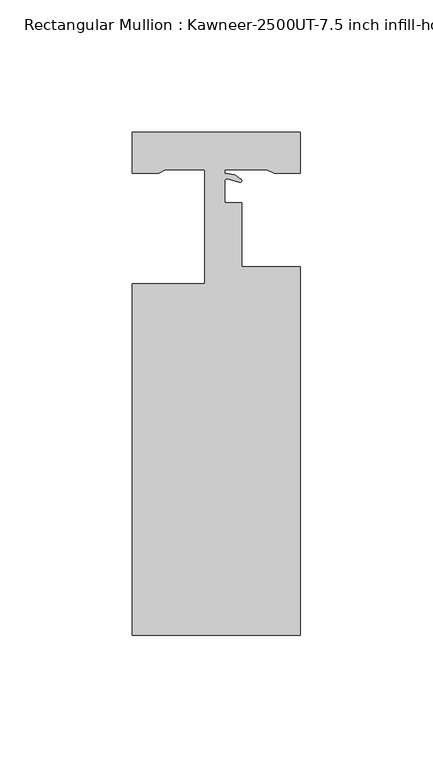
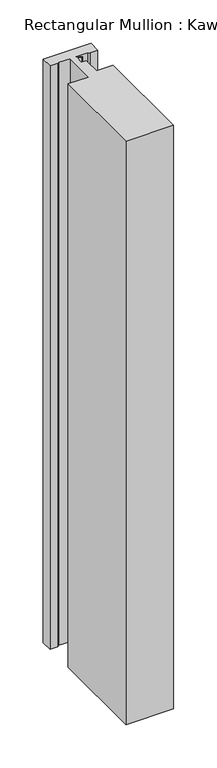
"""IFC4 building model written with IfcOpenShell, lengths in millimetres: member geometry, Rectangular Mullion : Kawneer-2500UT-7.5 inch infill-horizontal 1 inch infill."""

from ifc_helpers import new_model, si_unit, point, frame, frame_2d, origin, place, context, project, spatial, polyline, circle_curve, trimmed, segment, composite_curve, outline, extrude, source, transform, mapped, element, save


def rectangular_mullion_kawneer_2500ut_7_5_inch_infill_58baae4a(model_context):
    return source(origin(), model_context, "Body", "SweptSolid", [
        extrude(outline(composite_curve([segment(polyline([(31.75, -189.992), (-31.75, -189.992), (-31.75, -57.15), (-4.4809208, -57.15), (-4.4809208, -14.097), (-19.2970846, -14.097), (-21.8329567, -15.3669023), (-31.75, -15.3669023), (-31.75, 0.0), (31.75, 0.0), (31.75, -15.3669998), (21.8335611, -15.3669998), (19.05, -14.097), (3.1750001, -14.097), (3.1750001, -15.4291355), (6.9736326, -16.0793399), (9.2271396, -17.6572624)]), True, "CONTINUOUS"), segment(trimmed(circle_curve(frame_2d((8.8264964, -18.2294401)), 0.6985), [point((9.2271396, -17.6572624))], [point((8.6323393, -18.9004135))], False, "CARTESIAN"), True, "CONTINUOUS"), segment(polyline([(8.6323393, -18.9004135), (4.1488042, -17.6030294)]), True, "CONTINUOUS"), segment(trimmed(circle_curve(frame_2d((3.9369964, -18.3350004)), 0.762), [point((4.1488042, -17.6030294))], [point((3.1750001, -18.3373753))], True, "CARTESIAN"), True, "CONTINUOUS"), segment(polyline([(3.1750001, -18.3373753), (3.1750001, -26.6655685), (9.4838903, -26.6655685), (9.4838903, -50.8), (31.75, -50.8), (31.75, -189.992)]), True, "CONTINUOUS")], self_intersect=False)), frame((0.0, 0.0, -819.149997), z_axis=(0.0, 0.0, 1.0), x_axis=(1.0, 0.0, 0.0)), (0.0, 0.0, 1.0), 819.149997),
    ])


if __name__ == "__main__":
    model = new_model("IFC4")
    model_context = context("Model", 3, world=origin())
    ifc_project = project(units=[si_unit("LENGTHUNIT", "METRE", prefix="MILLI")], contexts=[model_context])
    site = spatial("IfcSite", under=ifc_project)
    building = spatial("IfcBuilding", under=site)
    placement = place(None, origin())
    rectangular_mullion_kawneer_2500ut_7_5_inch_infill_shape = rectangular_mullion_kawneer_2500ut_7_5_inch_infill_58baae4a(model_context)
    element("IfcMember", 1, ObjectType="Rectangular Mullion : Kawneer-2500UT-7.5 inch infill-horizontal 1 inch infill", at=placement, inside=building, context=model_context, shape_type="MappedRepresentation", body=[
        mapped(rectangular_mullion_kawneer_2500ut_7_5_inch_infill_shape, transform((0.0, 0.0, 0.0), x_axis=(1.0, 0.0, 0.0), y_axis=(0.0, 1.0, 0.0), z_axis=(0.0, 0.0, 1.0))),
    ])
    save(model, "model.ifc")
